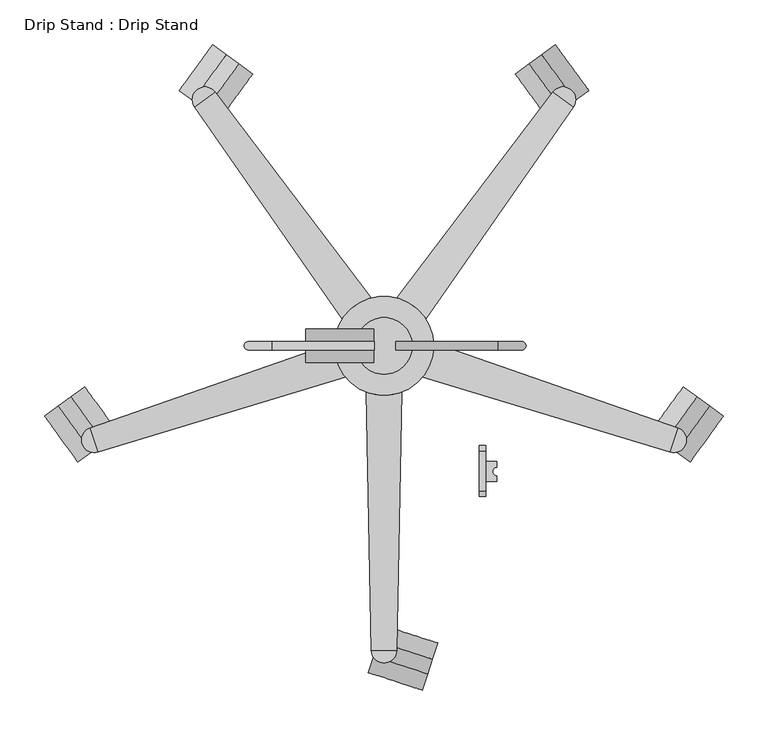
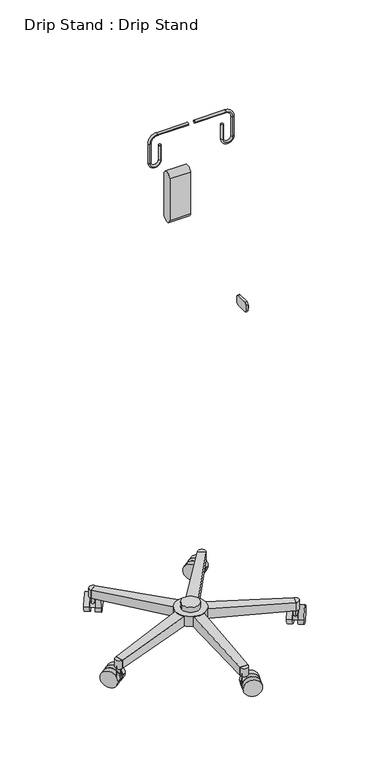
"""IFC4 building model written with IfcOpenShell, lengths in millimetres: proxy geometry, Drip Stand : Drip Stand."""

import ifcopenshell
import ifcopenshell.guid

model = None  # the IFC model being written
_history = None  # IfcOwnerHistory: only IFC2X3 demands one
_inside = {}  # id of a spatial element -> (the spatial element, [elements in it])
_under = {}  # id of a project, library or spatial element -> (it, [spatial elements below it])
_declared = {}  # id of a project -> (the project, [libraries it declares])
_typed = {}  # id of a type object -> (the type object, [elements of that type])
_made_of = {}  # id of a material, layer set ... -> (it, [elements and type objects made of it])


def new_model(schema):
    """Start an empty IFC model of exactly this schema.

    Asked for "IFC4X3", IfcOpenShell would pick the latest addendum, in which some entities
    have other attributes; the version numbers below select the first issue.
    IFC2X3 requires an IfcOwnerHistory on every rooted entity: one is made here for all.
    """
    global model, _history
    if schema == "IFC4X3":
        model = ifcopenshell.file(schema_version=(4, 3, 0, 0))
    else:
        model = ifcopenshell.file(schema=schema)
    _inside.clear()
    _under.clear()
    _declared.clear()
    _typed.clear()
    _made_of.clear()
    _history = None
    if model.schema == "IFC2X3":
        org = make("IfcOrganization", Name="unknown")
        user = make(
            "IfcPersonAndOrganization",
            ThePerson=make("IfcPerson", FamilyName="unknown"),
            TheOrganization=org,
        )
        app = make(
            "IfcApplication",
            ApplicationDeveloper=org,
            Version="unknown",
            ApplicationFullName="unknown",
            ApplicationIdentifier="unknown",
        )
        _history = make(
            "IfcOwnerHistory",
            OwningUser=user,
            OwningApplication=app,
            ChangeAction="ADDED",
            CreationDate=0,
        )
    return model


def make(cls, **values):
    """One entity of the class cls with the attributes given. An attribute that is None is left unset."""
    return model.create_entity(
        cls, **{name: value for name, value in values.items() if value is not None}
    )


def rooted(cls, **values):
    """An entity with a GlobalId (a new one), such as an element, a storey or a relation."""
    return make(cls, GlobalId=ifcopenshell.guid.new(), OwnerHistory=_history, **values)


def si_unit(unit_type, name, prefix=None):
    """IfcSIUnit, for example si_unit("LENGTHUNIT", "METRE", prefix="MILLI")."""
    return make("IfcSIUnit", UnitType=unit_type, Prefix=prefix, Name=name)


def assignment(units):
    """IfcUnitAssignment: the units of a project."""
    return None if units is None else make("IfcUnitAssignment", Units=units)


def point(xyz):
    """IfcCartesianPoint."""
    return None if xyz is None else make("IfcCartesianPoint", Coordinates=xyz)


def direction(xyz):
    """IfcDirection."""
    return None if xyz is None else make("IfcDirection", DirectionRatios=xyz)


def frame(location, z_axis=None, x_axis=None):
    """IfcAxis2Placement3D, a coordinate frame: its origin and axes. An axis left out is left unset."""
    return make(
        "IfcAxis2Placement3D",
        Location=point(location),
        Axis=direction(z_axis),
        RefDirection=direction(x_axis),
    )


def frame_2d(location, x_axis=None):
    """IfcAxis2Placement2D, a coordinate frame in the plane: its origin and x axis."""
    return make(
        "IfcAxis2Placement2D", Location=point(location), RefDirection=direction(x_axis)
    )


def origin():
    """The frame at (0, 0, 0) with its axes left unset."""
    return frame((0.0, 0.0, 0.0))


def place(relative_to, where):
    """IfcLocalPlacement: puts the frame where relative to a parent placement (None: the world)."""
    return make(
        "IfcLocalPlacement", PlacementRelTo=relative_to, RelativePlacement=where
    )


def context(
    kind, dimensions, precision=None, world=None, true_north=None, identifier=None
):
    """IfcGeometricRepresentationContext, for example the 3D "Model" context."""
    return make(
        "IfcGeometricRepresentationContext",
        ContextIdentifier=identifier,
        ContextType=kind,
        CoordinateSpaceDimension=dimensions,
        Precision=precision,
        WorldCoordinateSystem=world,
        TrueNorth=true_north,
    )


def project(units=None, contexts=None):
    """IfcProject with its units and contexts."""
    return rooted(
        "IfcProject",
        Name="project",
        RepresentationContexts=contexts,
        UnitsInContext=assignment(units),
    )


def spatial(cls, under=None, at=None, **own):
    """A site, building, storey or space (cls), placed at a placement, below another one or the project."""
    s = rooted(cls, ObjectPlacement=at, **own)
    if under is not None:
        _under.setdefault(under.id(), (under, []))[1].append(s)
    return s


def polyline(points):
    """IfcPolyline through the points."""
    return make("IfcPolyline", Points=[point(p) for p in points])


def circle_curve(where, radius):
    """IfcCircle in the frame where."""
    return make("IfcCircle", Position=where, Radius=radius)


def ellipse_curve(where, semi_axis1, semi_axis2):
    """IfcEllipse in the frame where."""
    return make(
        "IfcEllipse", Position=where, SemiAxis1=semi_axis1, SemiAxis2=semi_axis2
    )


def trimmed(basis, trim1, trim2, sense, master):
    """IfcTrimmedCurve: the piece of a basis curve between two trims."""
    return make(
        "IfcTrimmedCurve",
        BasisCurve=basis,
        Trim1=trim1,
        Trim2=trim2,
        SenseAgreement=sense,
        MasterRepresentation=master,
    )


def segment(curve, same_sense, transition):
    """IfcCompositeCurveSegment."""
    return make(
        "IfcCompositeCurveSegment",
        Transition=transition,
        SameSense=same_sense,
        ParentCurve=curve,
    )


def composite_curve(segments, self_intersect=None):
    """IfcCompositeCurve: segments joined end to end."""
    return make("IfcCompositeCurve", Segments=segments, SelfIntersect=self_intersect)


def outline(outer, holes=None, kind="AREA"):
    """IfcArbitraryClosedProfileDef: a profile drawn as a closed curve; with holes, ...WithVoids."""
    if holes is None:
        return make("IfcArbitraryClosedProfileDef", ProfileType=kind, OuterCurve=outer)
    return make(
        "IfcArbitraryProfileDefWithVoids",
        ProfileType=kind,
        OuterCurve=outer,
        InnerCurves=holes,
    )


def extrude(swept, where, along, depth):
    """IfcExtrudedAreaSolid: the profile swept, set in the frame where, extruded along a direction by depth."""
    return make(
        "IfcExtrudedAreaSolid",
        SweptArea=swept,
        Position=where,
        ExtrudedDirection=direction(along),
        Depth=depth,
    )


def shape(context_of_items, identifier, shape_type, items):
    """IfcShapeRepresentation: the items that make up one representation, for example the "Body"."""
    return make(
        "IfcShapeRepresentation",
        ContextOfItems=context_of_items,
        RepresentationIdentifier=identifier,
        RepresentationType=shape_type,
        Items=items,
    )


def source(mapping_origin, context_of_items, identifier, shape_type, items):
    """IfcRepresentationMap: a shape defined once, which mapped items show again and again."""
    return make(
        "IfcRepresentationMap",
        MappingOrigin=mapping_origin,
        MappedRepresentation=shape(context_of_items, identifier, shape_type, items),
    )


def transform(
    local_origin,
    x_axis=None,
    y_axis=None,
    z_axis=None,
    scale=None,
    scale2=None,
    scale3=None,
    uniform=True,
):
    """IfcCartesianTransformationOperator3D, or its non-uniform kind. x_axis, y_axis, z_axis: its Axis1, 2, 3."""
    if uniform:
        return make(
            "IfcCartesianTransformationOperator3D",
            Axis1=direction(x_axis),
            Axis2=direction(y_axis),
            LocalOrigin=point(local_origin),
            Scale=scale,
            Axis3=direction(z_axis),
        )
    return make(
        "IfcCartesianTransformationOperator3DnonUniform",
        Axis1=direction(x_axis),
        Axis2=direction(y_axis),
        LocalOrigin=point(local_origin),
        Scale=scale,
        Axis3=direction(z_axis),
        Scale2=scale2,
        Scale3=scale3,
    )


def mapped(mapping_source, mapping_target):
    """IfcMappedItem: shows the shape of a source again, moved by a transform."""
    return make(
        "IfcMappedItem", MappingSource=mapping_source, MappingTarget=mapping_target
    )


def made_of(thing, what):
    """Note that an element or type object is made of a material, layer set ...; save() writes the relation."""
    if what is not None:
        _made_of.setdefault(what.id(), (what, []))[1].append(thing)
    return thing


def element(
    cls,
    number,
    at=None,
    inside=None,
    cuts=None,
    type_object=None,
    material=None,
    context=None,
    identifier="Body",
    shape_type=None,
    held_by="IfcProductDefinitionShape",
    body=None,
    shapes=None,
    **own,
):
    """One element of the class cls, such as IfcWall. Its Tag is "e" and its number.

    at: its placement. inside: the storey or other place that contains it. cuts: it is an
    opening in that element (IfcRelVoidsElement). A single representation is given by context,
    identifier, shape_type and body (its items); several are given by shapes. held_by: the class
    of the entity that holds the representations. save() writes the other relations.
    """
    e = rooted(cls, Tag="e%d" % number, ObjectPlacement=at, **own)
    if body is not None:
        shapes = [shape(context, identifier, shape_type, body)]
    if shapes is not None:
        e.Representation = make(held_by, Representations=shapes)
    if inside is not None:
        _inside.setdefault(inside.id(), (inside, []))[1].append(e)
    if cuts is not None:
        rooted(
            "IfcRelVoidsElement", RelatingBuildingElement=cuts, RelatedOpeningElement=e
        )
    if type_object is not None:
        _typed.setdefault(type_object.id(), (type_object, []))[1].append(e)
    return made_of(e, material)


def aggregate(whole, parts):
    """IfcRelAggregates: a whole, such as a stair, and the parts it consists of."""
    return rooted("IfcRelAggregates", RelatingObject=whole, RelatedObjects=parts)


def save(model, path):
    """Write the relations noted so far, then the file.

    IfcRelAggregates (storeys below a building ...), IfcRelContainedInSpatialStructure (elements
    in a storey), IfcRelDefinesByType, IfcRelAssociatesMaterial and IfcRelDeclares: one each for
    every whole, place, type object, material and project.
    """
    for whole, parts in _under.values():
        aggregate(whole, parts)
    for where, things in _inside.values():
        rooted(
            "IfcRelContainedInSpatialStructure",
            RelatedElements=things,
            RelatingStructure=where,
        )
    for kind, things in _typed.values():
        rooted("IfcRelDefinesByType", RelatedObjects=things, RelatingType=kind)
    for what, things in _made_of.values():
        rooted("IfcRelAssociatesMaterial", RelatedObjects=things, RelatingMaterial=what)
    for by, libraries in _declared.values():
        rooted("IfcRelDeclares", RelatingContext=by, RelatedDefinitions=libraries)
    model.write(path)


def plane_surface(at):
    """IfcPlane: the flat surface through the origin of the frame at, square to its z axis."""
    return make("IfcPlane", Position=at)


def cylinder_surface(at, radius):
    """IfcCylindricalSurface: all points at the distance radius from the z axis of the frame at."""
    return make("IfcCylindricalSurface", Position=at, Radius=radius)


def revolved_surface(curve, axis_point, axis_direction):
    """IfcSurfaceOfRevolution: the curve turned about the line through axis_point along axis_direction."""
    return make(
        "IfcSurfaceOfRevolution",
        SweptCurve=make("IfcArbitraryOpenProfileDef", ProfileType="CURVE", Curve=curve),
        AxisPosition=make("IfcAxis1Placement", Location=point(axis_point), Axis=direction(axis_direction)),
    )


def advanced_brep(points, edges, surfaces, faces):
    """IfcAdvancedBrep: a solid bounded by faces that lie on surfaces and meet in shared edges.

    An edge is (start, end): straight between two places in points (the first is 0);
    or (start, end, curve); or (start, end, curve, False) where it runs against its curve.
    A face is (place in surfaces, loops), or (place, loops, False) where it looks against
    its surface's normal. A loop lists edges by number (the first is 1), with a minus sign
    where the edge is run from its end to its start. The first loop is the outer one.
    """
    corners = [point(p) for p in points]
    vertices = [make("IfcVertexPoint", VertexGeometry=c) for c in corners]
    made = []
    for start, end, *more in edges:
        made.append(
            make(
                "IfcEdgeCurve",
                EdgeStart=vertices[start],
                EdgeEnd=vertices[end],
                EdgeGeometry=more[0] if more else make("IfcPolyline", Points=[corners[start], corners[end]]),
                SameSense=more[1] if len(more) > 1 else True,
            )
        )
    hull = []
    for where, loops, *sense in faces:
        bounds = []
        for j, loop in enumerate(loops):
            ring = [make("IfcOrientedEdge", EdgeElement=made[abs(k) - 1], Orientation=k > 0) for k in loop]
            bounds.append(
                make(
                    "IfcFaceOuterBound" if j == 0 else "IfcFaceBound",
                    Bound=make("IfcEdgeLoop", EdgeList=ring),
                    Orientation=True,
                )
            )
        hull.append(make("IfcAdvancedFace", Bounds=bounds, FaceSurface=surfaces[where], SameSense=sense[0] if sense else True))
    return make("IfcAdvancedBrep", Outer=make("IfcClosedShell", CfsFaces=hull))


def drip_stand_drip_stand_73fd7475(model_context):
    return source(origin(), model_context, "Body", "SolidModel", [
        advanced_brep(
        [(-474.0020451, 593.993365, 101.4476248), (-474.0020451, 593.993365, 70.0180614), (-497.0226378, 577.2798671, 70.0180614), (-497.0226378, 577.2798671, 101.4476248), (-299.1138816, 362.9367661, 124.4891109), (-299.1138816, 362.9367661, 87.5609877), (-290.2191698, 351.1853597, 87.5609877), (-323.139441, 327.2844597, 87.5609877), (-331.5425367, 339.3657612, 87.5609877), (-331.5425367, 339.3657612, 124.4908505), (-340.4462626, 309.1781853, 125.6609877), (-229.1932787, 309.1781853, 125.6609877), (-253.0697707, 309.1781853, 125.6609877), (-316.5697707, 309.1781853, 125.6609877), (-270.5256597, 362.9367661, 87.5609877), (-279.4203715, 351.1853597, 87.5609877), (-246.5001003, 327.2844597, 87.5609877), (-238.0970046, 339.3657612, 87.5609877), (-229.2739182, 312.1723279, 87.5609877), (-243.1967287, 317.0062495, 87.5609877), (-255.7713971, 278.3167807, 87.5609877), (-241.6865127, 274.052288, 87.5609877), (-264.7942475, 257.2813161, 87.5609877), (-264.5030794, 272.0165349, 87.5609877), (-305.1847366, 272.0096171, 87.5609877), (-304.8842676, 257.2963719, 87.5609877), (-327.9530286, 274.052288, 87.5609877), (-313.8681443, 278.3167807, 87.5609877), (-326.4428126, 317.0062495, 87.5609877), (-340.3656231, 312.1723279, 87.5609877), (-340.4462626, 309.1781853, 124.4094085), (-327.9530286, 274.052288, 124.4908505), (-304.8842676, 257.2963719, 124.4908505), (-264.7942475, 257.2813161, 124.4891109), (-241.6865127, 274.052288, 124.4908505), (-229.1932787, 309.1781853, 124.4094085), (-229.2739182, 312.1723279, 124.4891109), (-238.0970046, 339.3657612, 124.4908505), (-270.5256597, 362.9367661, 124.4891109), (-340.3656231, 312.1723279, 124.4891109), (-316.5697707, 309.1781853, 144.8859419), (-253.0697707, 309.1781853, 144.8859419), (-95.6374962, 593.993365, 101.4476248), (-72.6169035, 577.2798671, 101.4476248), (-72.6169035, 577.2798671, 70.0180614), (-95.6374962, 593.993365, 70.0180614), (44.4769113, 217.1275755, 101.4476248), (35.6836569, 190.0726797, 101.4476248), (35.6836569, 190.0726797, 70.0180614), (44.4769113, 217.1275755, 70.0180614), (-270.5192069, -32.4431158, 101.4476248), (-298.9672065, -32.4479533, 101.4476248), (-298.9672065, -32.4479533, 70.0180614), (-270.5192069, -32.4431158, 70.0180614), (-614.1164526, 217.1275755, 101.4476248), (-614.1164526, 217.1275755, 70.0180614), (-605.3231983, 190.0726797, 70.0180614), (-605.3231983, 190.0726797, 101.4476248)],
        [
            (0, 1),
            (1, 2),
            (2, 3),
            (3, 0),
            (0, 4),
            (4, 5),
            (5, 6),
            (6, 1),
            (6, 7),
            (7, 2),
            (7, 8),
            (8, 9),
            (9, 3),
            (9, 4, ellipse_curve(frame((-284.8197707, 309.1781853, 128.6167003), z_axis=(0.04657719564780421, -0.0641538146823709, -0.9968524729905054), x_axis=(0.5856612691190575, -0.8066695300810246, 0.07927891959855232)), 55.8021307, 55.626492)),
            (10, 11, circle_curve(frame((-284.8197707, 309.1781853, 125.6609877), z_axis=(0.0, 0.0, 1.0), x_axis=(1.0, 0.0, 0.0)), 55.626492)),
            (11, 10, circle_curve(frame((-284.8197707, 309.1781853, 125.6609877), z_axis=(0.0, 0.0, 1.0), x_axis=(1.0, 0.0, 0.0)), 55.626492)),
            (12, 13, circle_curve(frame((-284.8197707, 309.1781853, 125.6609877), z_axis=(0.0, 0.0, -1.0), x_axis=(1.0, 0.0, 0.0)), 31.75)),
            (13, 12, circle_curve(frame((-284.8197707, 309.1781853, 125.6609877), z_axis=(0.0, 0.0, -1.0), x_axis=(1.0, 0.0, 0.0)), 31.75)),
            (5, 14, circle_curve(frame((-284.8197707, 309.1781853, 87.5609877), z_axis=(0.0, 0.0, -1.0), x_axis=(1.0, 0.0, 0.0)), 55.626492)),
            (14, 15),
            (15, 16),
            (16, 17),
            (17, 18, circle_curve(frame((-284.8197707, 309.1781853, 87.5609877), z_axis=(0.0, 0.0, -1.0), x_axis=(1.0, 0.0, 0.0)), 55.626492)),
            (18, 19),
            (19, 20),
            (20, 21),
            (21, 22, circle_curve(frame((-284.8197707, 309.1781853, 87.5609877), z_axis=(0.0, 0.0, -1.0), x_axis=(1.0, 0.0, 0.0)), 55.626492)),
            (22, 23),
            (23, 24),
            (24, 25),
            (25, 26, circle_curve(frame((-284.8197707, 309.1781853, 87.5609877), z_axis=(0.0, 0.0, -1.0), x_axis=(1.0, 0.0, 0.0)), 55.626492)),
            (26, 27),
            (27, 28),
            (28, 29),
            (29, 8, circle_curve(frame((-284.8197707, 309.1781853, 87.5609877), z_axis=(0.0, 0.0, -1.0), x_axis=(1.0, 0.0, 0.0)), 55.626492)),
            (10, 30),
            (30, 31, ellipse_curve(frame((-284.8197707, 309.1781853, 128.6167003), z_axis=(-0.07539661492408216, -0.024505051534397807, 0.9968524729905054), x_axis=(0.9480364064340253, 0.30812631335695084, 0.07927891959855232)), 55.8021307, 55.626492)),
            (31, 26),
            (25, 32),
            (32, 33, ellipse_curve(frame((-284.8197707, 309.1781853, 128.6167003), z_axis=(1.3481174649821742e-05, -0.0792789184523335, 0.9968524729905054), x_axis=(-0.0001695121774683849, 0.9968524585779523, 0.07927891959855236)), 55.8021307, 55.626492)),
            (33, 22),
            (21, 34),
            (34, 35, ellipse_curve(frame((-284.8197707, 309.1781853, 128.6167003), z_axis=(0.07539661492408216, -0.024505051534397807, 0.9968524729905054), x_axis=(-0.9480364064340253, 0.30812631335695084, 0.07927891959855232)), 55.8021307, 55.626492)),
            (35, 11),
            (35, 36, ellipse_curve(frame((-284.8197707, 309.1781853, 128.6167003), z_axis=(0.07539661492408216, -0.024505051534397807, 0.9968524729905054), x_axis=(-0.9480364064340253, 0.30812631335695084, 0.07927891959855232)), 55.8021307, 55.626492)),
            (36, 18),
            (17, 37),
            (37, 38, ellipse_curve(frame((-284.8197707, 309.1781853, 128.6167003), z_axis=(0.04657719564780419, 0.06415381468237087, 0.9968524729905054), x_axis=(-0.5856612691190576, -0.8066695300810247, 0.07927891959855236)), 55.8021307, 55.626492)),
            (38, 14),
            (29, 39),
            (39, 30, ellipse_curve(frame((-284.8197707, 309.1781853, 128.6167003), z_axis=(-0.07539661492408216, -0.024505051534397807, 0.9968524729905054), x_axis=(0.9480364064340253, 0.30812631335695084, 0.07927891959855232)), 55.8021307, 55.626492)),
            (40, 41, circle_curve(frame((-284.8197707, 309.1781853, 144.8859419), z_axis=(0.0, 0.0, 1.0), x_axis=(1.0, 0.0, 0.0)), 31.75)),
            (41, 40, circle_curve(frame((-284.8197707, 309.1781853, 144.8859419), z_axis=(0.0, 0.0, 1.0), x_axis=(1.0, 0.0, 0.0)), 31.75)),
            (40, 13),
            (12, 41),
            (42, 43),
            (43, 44),
            (44, 45),
            (45, 42),
            (42, 38),
            (37, 43),
            (16, 44),
            (15, 45),
            (46, 47),
            (47, 48),
            (48, 49),
            (49, 46),
            (46, 36),
            (34, 47),
            (20, 48),
            (19, 49),
            (50, 51),
            (51, 52),
            (52, 53),
            (53, 50),
            (50, 33),
            (32, 51),
            (24, 52),
            (23, 53),
            (54, 55),
            (55, 56),
            (56, 57),
            (57, 54),
            (54, 39),
            (28, 55),
            (27, 56),
            (31, 57),
        ],
        [
            plane_surface(frame((-485.5123414, 585.6366161, 85.7328431), z_axis=(-0.5875104742049787, 0.8092165610635025, 0.0), x_axis=(-0.8092165610635025, -0.5875104742049787, 0.0))),
            plane_surface(frame((-290.2191698, 351.1853597, 106.6109877), z_axis=(0.7973490590122829, 0.603518415702642, 0.0), x_axis=(0.0, 0.0, -1.0))),
            plane_surface(frame((-306.6793054, 339.2349097, 87.5609877), z_axis=(0.03379633637663892, -0.046549902171969165, -0.9983440861022302), x_axis=(-0.8092165610635011, -0.5875104742049805, 0.0))),
            plane_surface(frame((-323.139441, 327.2844597, 106.6109877), z_axis=(-0.8209462283979861, -0.571005507923629, 0.0), x_axis=(0.0, 0.0, 1.0))),
            plane_surface(frame((-306.6793054, 339.2349097, 125.6609877), z_axis=(-0.046577195647804215, 0.06415381468237091, 0.9968524729905056), x_axis=(0.8092165610635025, 0.5875104742049787, 0.0))),
            plane_surface(frame((-229.1932787, 309.1781853, 125.6609877), z_axis=(0.0, 0.0, 1.0), x_axis=(0.0, 1.0, 0.0))),
            plane_surface(frame((-229.1932787, 309.1781853, 87.5609877), z_axis=(0.0, 0.0, -1.0), x_axis=(0.0, -1.0, 0.0))),
            cylinder_surface(frame((-284.8197707, 309.1781853, 87.5609877), z_axis=(0.0, 0.0, 1.0), x_axis=(1.0, 0.0, 0.0)), 55.626492),
            plane_surface(frame((-253.0697707, 309.1781853, 144.8859419), z_axis=(0.0, 0.0, 1.0), x_axis=(0.0, 1.0, 0.0))),
            cylinder_surface(frame((-284.8197707, 309.1781853, 125.6609877), z_axis=(0.0, 0.0, 1.0), x_axis=(1.0, 0.0, 0.0)), 31.75),
            plane_surface(frame((-84.1271999, 585.6366161, 85.7328431), z_axis=(0.5875104742049967, 0.8092165610634893, 0.0), x_axis=(0.0, 0.0, -1.0))),
            plane_surface(frame((-262.9602359, 339.2349097, 125.6609877), z_axis=(0.046577195647804194, 0.06415381468237089, 0.9968524729905056), x_axis=(0.8092165610635025, -0.5875104742049787, 0.0))),
            plane_surface(frame((-246.5001003, 327.2844597, 106.6109877), z_axis=(0.8209462283979861, -0.571005507923629, 0.0), x_axis=(0.0, 0.0, -1.0))),
            plane_surface(frame((-262.9602359, 339.2349097, 87.5609877), z_axis=(-0.03379633637663892, -0.046549902171969165, -0.9983440861022302), x_axis=(-0.8092165610635011, 0.5875104742049805, 0.0))),
            plane_surface(frame((-279.4203715, 351.1853597, 106.6109877), z_axis=(-0.7973490590122829, 0.603518415702642, 0.0), x_axis=(0.0, 0.0, 1.0))),
            plane_surface(frame((40.0802841, 203.6001276, 85.7328431), z_axis=(0.9510297984113539, -0.3090992114736941, 0.0), x_axis=(0.0, 0.0, -1.0))),
            plane_surface(frame((-249.4840629, 297.6615151, 125.6609877), z_axis=(0.07539661492408216, -0.024505051534397807, 0.9968524729905054), x_axis=(-0.30909921147367775, -0.9510297984113593, 0.0))),
            plane_surface(frame((-255.7713971, 278.3167807, 106.6109877), z_axis=(-0.2897799708050379, -0.9570932914404068, 0.0), x_axis=(0.0, 0.0, -1.0))),
            plane_surface(frame((-249.4840629, 297.6615151, 87.5609877), z_axis=(-0.05470765949289847, 0.017780824995255504, -0.9983440861022302), x_axis=(0.30909921147367975, 0.9510297984113586, 0.0))),
            plane_surface(frame((-243.1967287, 317.0062495, 106.6109877), z_axis=(0.32798822550448137, 0.9446818109450512, 0.0), x_axis=(0.0, 0.0, 1.0))),
            plane_surface(frame((-284.7432067, -32.4455346, 85.7328431), z_axis=(0.00017004740629414765, -0.9999999855419398, 0.0), x_axis=(0.0, 0.0, -1.0))),
            plane_surface(frame((-284.843908, 272.013076, 125.6609877), z_axis=(1.3481174649821742e-05, -0.0792789184523335, 0.9968524729905054), x_axis=(-0.9999999855419397, -0.00017004740627252216, 0.0))),
            plane_surface(frame((-305.1847366, 272.0096171, 106.6109877), z_axis=(-0.9997915430241268, -0.02041740672651217, 0.0), x_axis=(0.0, 0.0, -1.0))),
            plane_surface(frame((-284.843908, 272.013076, 87.5609877), z_axis=(-9.781918101233285e-06, 0.05752465253277857, -0.9983440861022302), x_axis=(0.9999999855419397, 0.0001700474062704127, 0.0))),
            plane_surface(frame((-264.5030794, 272.0165349, 106.6109877), z_axis=(0.9998048280409032, -0.01975615919403379, 0.0), x_axis=(0.0, 0.0, 1.0))),
            plane_surface(frame((-609.7198254, 203.6001276, 85.7328431), z_axis=(-0.9510297984113593, -0.30909921147367775, 0.0), x_axis=(0.30909921147367775, -0.9510297984113593, 0.0))),
            plane_surface(frame((-326.4428126, 317.0062495, 106.6109877), z_axis=(-0.3279882255044814, 0.9446818109450512, 0.0), x_axis=(0.0, 0.0, -1.0))),
            plane_surface(frame((-320.1554784, 297.6615151, 87.5609877), z_axis=(0.05470765949289848, 0.017780824995255504, -0.9983440861022302), x_axis=(0.30909921147367975, -0.9510297984113586, 0.0))),
            plane_surface(frame((-313.8681443, 278.3167807, 106.6109877), z_axis=(0.289779970805038, -0.9570932914404068, 0.0), x_axis=(0.0, 0.0, 1.0))),
            plane_surface(frame((-320.1554784, 297.6615151, 125.6609877), z_axis=(-0.07539661492408216, -0.024505051534397807, 0.9968524729905054), x_axis=(-0.30909921147367775, 0.9510297984113593, 0.0))),
        ],
        [
            (0, [[1, 2, 3, 4]]),
            (1, [[-1, 5, 6, 7, 8]]),
            (2, [[-2, -8, 9, 10]]),
            (3, [[-3, -10, 11, 12, 13]]),
            (4, [[-4, -13, 14, -5]]),
            (5, [[15, 16], [17, 18]]),
            (6, [[-7, 19, 20, 21, 22, 23, 24, 25, 26, 27, 28, 29, 30, 31, 32, 33, 34, 35, -11, -9]]),
            (7, [[-15, 36, 37, 38, -31, 39, 40, 41, -27, 42, 43, 44]]),
            (7, [[-16, -44, 45, 46, -23, 47, 48, 49, -19, -6, -14, -12, -35, 50, 51, -36]]),
            (8, [[52, 53]]),
            (9, [[-52, 54, -17, 55]]),
            (9, [[-53, -55, -18, -54]]),
            (10, [[56, 57, 58, 59]]),
            (11, [[-56, 60, -48, 61]]),
            (12, [[-57, -61, -47, -22, 62]]),
            (13, [[-58, -62, -21, 63]]),
            (14, [[-59, -63, -20, -49, -60]]),
            (15, [[64, 65, 66, 67]]),
            (16, [[-64, 68, -45, -43, 69]]),
            (17, [[-65, -69, -42, -26, 70]]),
            (18, [[-66, -70, -25, 71]]),
            (19, [[-67, -71, -24, -46, -68]]),
            (20, [[72, 73, 74, 75]]),
            (21, [[-72, 76, -40, 77]]),
            (22, [[-73, -77, -39, -30, 78]]),
            (23, [[-74, -78, -29, 79]]),
            (24, [[-75, -79, -28, -41, -76]]),
            (25, [[80, 81, 82, 83]]),
            (26, [[-80, 84, -50, -34, 85]]),
            (27, [[-81, -85, -33, 86]]),
            (28, [[-82, -86, -32, -38, 87]]),
            (29, [[-83, -87, -37, -51, -84]]),
        ],
    ),
        extrude(outline(composite_curve([segment(trimmed(circle_curve(frame_2d((0.0, -31.75)), 31.75), [point((0.0, -63.5000001))], [point((0.0, 0.0))], False, "CARTESIAN"), True, "CONTINUOUS"), segment(polyline([(0.0, 0.0), (0.0, -1.27)]), True, "CONTINUOUS"), segment(trimmed(circle_curve(frame_2d((0.0, -31.75)), 30.48), [point((0.0, -1.27))], [point((0.0, -62.23))], True, "CARTESIAN"), True, "CONTINUOUS"), segment(polyline([(0.0, -62.23), (0.0, -63.5000001)]), True, "CONTINUOUS")], self_intersect=False)), frame((-121.9059892, 625.5848628, 31.75), z_axis=(0.8085345530055643, 0.5884487034534892, 0.0), x_axis=(0.0, 0.0, -1.0)), (0.0, 0.0, 1.0), 17.1449341),
        extrude(outline(composite_curve([segment(trimmed(circle_curve(frame_2d((-83.0190659, 587.0335567)), 7.62), [point((-76.8528357, 582.5567269))], [point((-89.1852961, 591.5103865))], False, "CARTESIAN"), True, "CONTINUOUS"), segment(trimmed(circle_curve(frame_2d((-83.0190659, 587.0335567)), 7.62), [point((-89.1852961, 591.5103865))], [point((-76.8528357, 582.5567269))], False, "CARTESIAN"), True, "CONTINUOUS")], self_intersect=False)), frame((0.0, 0.0, 34.7118921), z_axis=(0.0, 0.0, 1.0), x_axis=(1.0, 0.0, 0.0)), (0.0, 0.0, 1.0), 36.3693173),
        extrude(outline(composite_curve([segment(polyline([(-72.5517505, 577.2355368), (-95.5695008, 593.9529491)]), True, "CONTINUOUS"), segment(trimmed(circle_curve(frame_2d((-84.0606257, 585.5942429)), 14.224), [point((-95.5695008, 593.9529491))], [point((-72.5517505, 577.2355368))], False, "CARTESIAN"), True, "CONTINUOUS")], self_intersect=False)), frame((0.0, 0.0, 70.0177826), z_axis=(0.0, 0.0, 1.0), x_axis=(1.0, 0.0, 0.0)), (0.0, 0.0, 1.0), 31.4298422),
        extrude(outline(composite_curve([segment(trimmed(circle_curve(frame_2d((0.0, -31.7500001)), 31.75), [point((0.0, -63.5))], [point((0.0, 0.0))], False, "CARTESIAN"), True, "CONTINUOUS"), segment(trimmed(circle_curve(frame_2d((0.0, -31.7500001)), 31.75), [point((0.0, 0.0))], [point((0.0, -63.5))], False, "CARTESIAN"), True, "CONTINUOUS")], self_intersect=False)), frame((-137.4247714, 614.2903458, 31.75), z_axis=(0.8085345530055643, 0.5884487034534892, 0.0), x_axis=(0.0, 0.0, -1.0)), (0.0, 0.0, 1.0), 19.1937154),
        extrude(outline(composite_curve([segment(trimmed(circle_curve(frame_2d((0.0, -31.7500001)), 31.75), [point((0.0, -63.5))], [point((0.0, 0.0))], False, "CARTESIAN"), True, "CONTINUOUS"), segment(trimmed(circle_curve(frame_2d((0.0, -31.7500001)), 31.75), [point((0.0, 0.0))], [point((0.0, -63.5))], False, "CARTESIAN"), True, "CONTINUOUS")], self_intersect=False)), frame((-108.0437176, 635.673777, 31.75), z_axis=(0.8085345530055643, 0.5884487034534892, 0.0), x_axis=(0.0, 0.0, -1.0)), (0.0, 0.0, 1.0), 19.1937154),
        extrude(outline(composite_curve([segment(polyline([(-63.5000001, 0.0), (-62.23, 0.0)]), True, "CONTINUOUS"), segment(trimmed(circle_curve(frame_2d((-31.75, 0.0)), 30.48), [point((-62.23, 0.0))], [point((-1.27, 0.0))], True, "CARTESIAN"), True, "CONTINUOUS"), segment(polyline([(-1.27, 0.0), (0.0, 0.0)]), True, "CONTINUOUS"), segment(trimmed(circle_curve(frame_2d((-31.75, 0.0)), 31.75), [point((0.0, 0.0))], [point((-63.5000001, 0.0))], False, "CARTESIAN"), True, "CONTINUOUS")], self_intersect=False)), frame((-447.7335521, 625.5848628, 31.75), z_axis=(-0.8085345530055643, 0.5884487034534892, 0.0), x_axis=(0.5884487034534892, 0.8085345530055643, 0.0)), (0.0, 0.0, 1.0), 17.1449341),
        extrude(outline(composite_curve([segment(trimmed(circle_curve(frame_2d((-486.6204754, 587.0335567)), 7.62), [point((-492.7867056, 582.5567269))], [point((-480.4542452, 591.5103865))], False, "CARTESIAN"), True, "CONTINUOUS"), segment(trimmed(circle_curve(frame_2d((-486.6204754, 587.0335567)), 7.62), [point((-480.4542452, 591.5103865))], [point((-492.7867056, 582.5567269))], False, "CARTESIAN"), True, "CONTINUOUS")], self_intersect=False)), frame((0.0, 0.0, 34.7118921), z_axis=(0.0, 0.0, 1.0), x_axis=(1.0, 0.0, 0.0)), (0.0, 0.0, 1.0), 36.3693173),
        extrude(outline(composite_curve([segment(trimmed(circle_curve(frame_2d((-485.5789156, 585.5942429)), 14.224), [point((-497.0877908, 577.2355368))], [point((-474.0700405, 593.9529491))], False, "CARTESIAN"), True, "CONTINUOUS"), segment(polyline([(-474.0700405, 593.9529491), (-497.0877908, 577.2355368)]), True, "CONTINUOUS")], self_intersect=False)), frame((0.0, 0.0, 70.0177826), z_axis=(0.0, 0.0, 1.0), x_axis=(1.0, 0.0, 0.0)), (0.0, 0.0, 1.0), 31.4298422),
        extrude(outline(composite_curve([segment(trimmed(circle_curve(frame_2d((0.0, -31.75)), 31.75), [point((0.0, -63.4999999))], [point((0.0, 0.0))], False, "CARTESIAN"), True, "CONTINUOUS"), segment(trimmed(circle_curve(frame_2d((0.0, -31.75)), 31.75), [point((0.0, 0.0))], [point((0.0, -63.4999999))], False, "CARTESIAN"), True, "CONTINUOUS")], self_intersect=False)), frame((-432.21477, 614.2903458, 31.75), z_axis=(-0.8085345530055643, 0.5884487034534892, 0.0), x_axis=(0.0, 0.0, 1.0)), (0.0, 0.0, 1.0), 19.1937154),
        extrude(outline(composite_curve([segment(trimmed(circle_curve(frame_2d((0.0, -31.7500001)), 31.75), [point((0.0, -63.5))], [point((0.0, 0.0))], False, "CARTESIAN"), True, "CONTINUOUS"), segment(trimmed(circle_curve(frame_2d((0.0, -31.7500001)), 31.75), [point((0.0, 0.0))], [point((0.0, -63.5))], False, "CARTESIAN"), True, "CONTINUOUS")], self_intersect=False)), frame((-461.5958237, 635.673777, 31.75), z_axis=(-0.8085345530055643, 0.5884487034534892, 0.0), x_axis=(0.0, 0.0, 1.0)), (0.0, 0.0, 1.0), 19.1937154),
        extrude(outline(composite_curve([segment(trimmed(circle_curve(frame_2d((31.75, 0.0)), 31.75), [point((63.5, 0.0))], [point((0.0, 0.0))], False, "CARTESIAN"), True, "CONTINUOUS"), segment(polyline([(0.0, 0.0), (1.27, 0.0)]), True, "CONTINUOUS"), segment(trimmed(circle_curve(frame_2d((31.75, 0.0)), 30.48), [point((1.27, 0.0))], [point((62.23, 0.0))], True, "CARTESIAN"), True, "CONTINUOUS"), segment(polyline([(62.23, 0.0), (63.5, 0.0)]), True, "CONTINUOUS")], self_intersect=False)), frame((-649.9336581, 241.791291, 31.75), z_axis=(0.8092486736939575, 0.5874662408382041, 0.0), x_axis=(0.5874662408382041, -0.8092486736939575, 0.0)), (0.0, 0.0, 1.0), 17.1449341),
        extrude(outline(composite_curve([segment(trimmed(circle_curve(frame_2d((-611.3905619, 202.9771961)), 7.62), [point((-609.0352259, 195.730349))], [point((-613.7458979, 210.2240432))], False, "CARTESIAN"), True, "CONTINUOUS"), segment(trimmed(circle_curve(frame_2d((-611.3905619, 202.9771961)), 7.62), [point((-613.7458979, 210.2240432))], [point((-609.0352259, 195.730349))], False, "CARTESIAN"), True, "CONTINUOUS")], self_intersect=False)), frame((0.0, 0.0, 34.7118921), z_axis=(0.0, 0.0, 1.0), x_axis=(1.0, 0.0, 0.0)), (0.0, 0.0, 1.0), 36.3693173),
        extrude(outline(composite_curve([segment(trimmed(circle_curve(frame_2d((-609.7000662, 203.5237262)), 14.224), [point((-605.3011388, 189.9970261))], [point((-614.0989936, 217.0504262))], False, "CARTESIAN"), True, "CONTINUOUS"), segment(polyline([(-614.0989936, 217.0504262), (-605.3011388, 189.9970261)]), True, "CONTINUOUS")], self_intersect=False)), frame((0.0, 0.0, 70.0177826), z_axis=(0.0, 0.0, 1.0), x_axis=(1.0, 0.0, 0.0)), (0.0, 0.0, 1.0), 31.4298422),
        extrude(outline(composite_curve([segment(trimmed(circle_curve(frame_2d((0.0, -31.75)), 31.75), [point((0.0, -63.5))], [point((0.0, 0.0))], False, "CARTESIAN"), True, "CONTINUOUS"), segment(trimmed(circle_curve(frame_2d((0.0, -31.75)), 31.75), [point((0.0, 0.0))], [point((0.0, -63.5))], False, "CARTESIAN"), True, "CONTINUOUS")], self_intersect=False)), frame((-636.0591429, 251.863361, 31.75), z_axis=(0.8092486736939575, 0.5874662408382041, 0.0), x_axis=(0.0, 0.0, -1.0)), (0.0, 0.0, 1.0), 19.1937154),
        extrude(outline(composite_curve([segment(trimmed(circle_curve(frame_2d((0.0, -31.75)), 31.75), [point((0.0, -63.5))], [point((0.0, 0.0))], False, "CARTESIAN"), True, "CONTINUOUS"), segment(trimmed(circle_curve(frame_2d((0.0, -31.75)), 31.75), [point((0.0, 0.0))], [point((0.0, -63.5))], False, "CARTESIAN"), True, "CONTINUOUS")], self_intersect=False)), frame((-665.4661468, 230.5156311, 31.75), z_axis=(0.8092486736939575, 0.5874662408382041, 0.0), x_axis=(0.0, 0.0, -1.0)), (0.0, 0.0, 1.0), 19.1937154),
        extrude(outline(composite_curve([segment(polyline([(0.0, -63.5), (0.0, -62.23)]), True, "CONTINUOUS"), segment(trimmed(circle_curve(frame_2d((0.0, -31.75)), 30.48), [point((0.0, -62.23))], [point((0.0, -1.27))], True, "CARTESIAN"), True, "CONTINUOUS"), segment(polyline([(0.0, -1.27), (0.0, 0.0)]), True, "CONTINUOUS"), segment(trimmed(circle_curve(frame_2d((0.0, -31.75)), 31.75), [point((0.0, 0.0))], [point((0.0, -63.5))], False, "CARTESIAN"), True, "CONTINUOUS")], self_intersect=False)), frame((80.2941168, 241.791291, 31.75), z_axis=(-0.8092486736939575, 0.5874662408382041, 0.0), x_axis=(0.0, 0.0, 1.0)), (0.0, 0.0, 1.0), 17.1449341),
        extrude(outline(composite_curve([segment(trimmed(circle_curve(frame_2d((41.7510206, 202.9771961)), 7.62), [point((39.3956846, 195.730349))], [point((44.1063566, 210.2240432))], False, "CARTESIAN"), True, "CONTINUOUS"), segment(trimmed(circle_curve(frame_2d((41.7510206, 202.9771961)), 7.62), [point((44.1063566, 210.2240432))], [point((39.3956846, 195.730349))], False, "CARTESIAN"), True, "CONTINUOUS")], self_intersect=False)), frame((0.0, 0.0, 34.7118921), z_axis=(0.0, 0.0, 1.0), x_axis=(1.0, 0.0, 0.0)), (0.0, 0.0, 1.0), 36.3693173),
        extrude(outline(composite_curve([segment(polyline([(35.6615975, 189.9970261), (44.4594523, 217.0504262)]), True, "CONTINUOUS"), segment(trimmed(circle_curve(frame_2d((40.0605249, 203.5237262)), 14.224), [point((44.4594523, 217.0504262))], [point((35.6615975, 189.9970261))], False, "CARTESIAN"), True, "CONTINUOUS")], self_intersect=False)), frame((0.0, 0.0, 70.0177826), z_axis=(0.0, 0.0, 1.0), x_axis=(1.0, 0.0, 0.0)), (0.0, 0.0, 1.0), 31.4298422),
        extrude(outline(composite_curve([segment(trimmed(circle_curve(frame_2d((0.0, -31.75)), 31.75), [point((0.0, -63.5))], [point((0.0, 0.0))], False, "CARTESIAN"), True, "CONTINUOUS"), segment(trimmed(circle_curve(frame_2d((0.0, -31.75)), 31.75), [point((0.0, 0.0))], [point((0.0, -63.5))], False, "CARTESIAN"), True, "CONTINUOUS")], self_intersect=False)), frame((66.4196016, 251.863361, 31.75), z_axis=(-0.8092486736939575, 0.5874662408382041, 0.0), x_axis=(0.0, 0.0, 1.0)), (0.0, 0.0, 1.0), 19.1937154),
        extrude(outline(composite_curve([segment(trimmed(circle_curve(frame_2d((0.0, -31.75)), 31.75), [point((0.0, -63.5))], [point((0.0, 0.0))], False, "CARTESIAN"), True, "CONTINUOUS"), segment(trimmed(circle_curve(frame_2d((0.0, -31.75)), 31.75), [point((0.0, 0.0))], [point((0.0, -63.5))], False, "CARTESIAN"), True, "CONTINUOUS")], self_intersect=False)), frame((95.8266055, 230.5156311, 31.75), z_axis=(-0.8092486736939575, 0.5874662408382041, 0.0), x_axis=(0.0, 0.0, 1.0)), (0.0, 0.0, 1.0), 19.1937154),
        extrude(outline(composite_curve([segment(polyline([(0.0, -63.5), (0.0, -62.23)]), True, "CONTINUOUS"), segment(trimmed(circle_curve(frame_2d((0.0, -31.75)), 30.48), [point((0.0, -62.23))], [point((0.0, -1.27))], True, "CARTESIAN"), True, "CONTINUOUS"), segment(polyline([(0.0, -1.27), (0.0, 0.0)]), True, "CONTINUOUS"), segment(trimmed(circle_curve(frame_2d((0.0, -31.75)), 31.75), [point((0.0, 0.0))], [point((0.0, -63.5))], False, "CARTESIAN"), True, "CONTINUOUS")], self_intersect=False)), frame((-235.987713, -58.8769389, 31.75), z_axis=(0.3083980192763382, 0.9512574108549333, 0.0), x_axis=(0.0, 0.0, 1.0)), (0.0, 0.0, 1.0), 17.1449341),
        extrude(outline(composite_curve([segment(trimmed(circle_curve(frame_2d((-284.8189068, -34.2270153)), 7.62), [point((-292.4389067, -34.228311))], [point((-277.1989069, -34.2257195))], False, "CARTESIAN"), True, "CONTINUOUS"), segment(trimmed(circle_curve(frame_2d((-284.8189068, -34.2270153)), 7.62), [point((-277.1989069, -34.2257195))], [point((-292.4389067, -34.228311))], False, "CARTESIAN"), True, "CONTINUOUS")], self_intersect=False)), frame((0.0, 0.0, 34.7118921), z_axis=(0.0, 0.0, 1.0), x_axis=(1.0, 0.0, 0.0)), (0.0, 0.0, 1.0), 36.3693173),
        extrude(outline(composite_curve([segment(polyline([(-299.0459734, -32.450372), (-270.5979734, -32.450372)]), True, "CONTINUOUS"), segment(trimmed(circle_curve(frame_2d((-284.8219734, -32.450372)), 14.224), [point((-270.5979734, -32.450372))], [point((-299.0459734, -32.450372))], False, "CARTESIAN"), True, "CONTINUOUS")], self_intersect=False)), frame((0.0, 0.0, 70.0177826), z_axis=(0.0, 0.0, 1.0), x_axis=(1.0, 0.0, 0.0)), (0.0, 0.0, 1.0), 31.4298422),
        extrude(outline(composite_curve([segment(trimmed(circle_curve(frame_2d((0.0, -31.75)), 31.75), [point((0.0, -63.5))], [point((0.0, 0.0))], False, "CARTESIAN"), True, "CONTINUOUS"), segment(trimmed(circle_curve(frame_2d((0.0, -31.75)), 31.75), [point((0.0, 0.0))], [point((0.0, -63.5))], False, "CARTESIAN"), True, "CONTINUOUS")], self_intersect=False)), frame((-230.7002493, -42.5676932, 31.75), z_axis=(0.3083980192763382, 0.9512574108549333, 0.0), x_axis=(0.0, 0.0, 1.0)), (0.0, 0.0, 1.0), 19.1937154),
        extrude(outline(composite_curve([segment(trimmed(circle_curve(frame_2d((0.0, -31.75)), 31.75), [point((0.0, -63.5))], [point((0.0, 0.0))], False, "CARTESIAN"), True, "CONTINUOUS"), segment(trimmed(circle_curve(frame_2d((0.0, -31.75)), 31.75), [point((0.0, 0.0))], [point((0.0, -63.5))], False, "CARTESIAN"), True, "CONTINUOUS")], self_intersect=False)), frame((-241.9070168, -77.1351029, 31.75), z_axis=(0.3083980192763382, 0.9512574108549333, 0.0), x_axis=(0.0, 0.0, 1.0)), (0.0, 0.0, 1.0), 19.1937154),
        advanced_brep(
        [(-170.9747324, 190.6528809, 1376.1438007), (-170.9747324, 146.2028809, 1376.1438007), (-170.9747324, 139.8528809, 1367.0750608), (-170.9747324, 139.8528809, 1347.1125405), (-170.9747324, 146.2028809, 1338.0438007), (-170.9747324, 190.6528809, 1338.0438007), (-170.9747324, 197.0028809, 1347.1125405), (-170.9747324, 197.0028809, 1367.0750608), (-170.9747324, 151.3719753, 1362.4579302), (-170.9747324, 164.0719753, 1362.4579302), (-170.9747324, 172.3019338, 1362.4579302), (-170.9747324, 185.0019338, 1362.4579302), (-178.1597707, 190.6528809, 1376.1438007), (-178.1597707, 197.0028809, 1367.0750608), (-178.1597707, 197.0028809, 1347.1125405), (-178.1597707, 190.6528809, 1338.0438007), (-178.1597707, 146.2028809, 1338.0438007), (-178.1597707, 139.8528809, 1347.1125405), (-178.1597707, 139.8528809, 1367.0750608), (-178.1597707, 146.2028809, 1376.1438007), (-172.6614511, 151.3719753, 1362.4579302), (-172.6614511, 164.0719753, 1362.4579302), (-172.6614511, 172.3019338, 1362.4579302), (-172.6614511, 185.0019338, 1362.4579302)],
        [
            (0, 1),
            (1, 2, circle_curve(frame((-170.9747324, 149.5036322, 1367.0750608), z_axis=(1.0, 0.0, 0.0), x_axis=(0.0, -1.0, 0.0)), 9.6507514)),
            (2, 3),
            (3, 4, circle_curve(frame((-170.9747324, 149.5036322, 1347.1125405), z_axis=(1.0, 0.0, 0.0), x_axis=(0.0, -1.0, 0.0)), 9.6507514)),
            (4, 5),
            (5, 6, circle_curve(frame((-170.9747324, 187.3521295, 1347.1125405), z_axis=(1.0, 0.0, 0.0), x_axis=(0.0, 1.0, 0.0)), 9.6507514)),
            (6, 7),
            (7, 0, circle_curve(frame((-170.9747324, 187.3521295, 1367.0750608), z_axis=(1.0, 0.0, 0.0), x_axis=(0.0, 1.0, 0.0)), 9.6507514)),
            (8, 9, circle_curve(frame((-170.9747324, 157.7219753, 1362.4579302), z_axis=(-1.0, 0.0, 0.0), x_axis=(0.0, 1.0, 0.0)), 6.35)),
            (9, 8, circle_curve(frame((-170.9747324, 157.7219753, 1362.4579302), z_axis=(-1.0, 0.0, 0.0), x_axis=(0.0, 1.0, 0.0)), 6.35)),
            (10, 11, circle_curve(frame((-170.9747324, 178.6519338, 1362.4579302), z_axis=(-1.0, 0.0, 0.0), x_axis=(0.0, 1.0, 0.0)), 6.35)),
            (11, 10, circle_curve(frame((-170.9747324, 178.6519338, 1362.4579302), z_axis=(-1.0, 0.0, 0.0), x_axis=(0.0, 1.0, 0.0)), 6.35)),
            (12, 13, circle_curve(frame((-178.1597707, 187.3521295, 1367.0750608), z_axis=(-1.0, 0.0, 0.0), x_axis=(0.0, 1.0, 0.0)), 9.6507514)),
            (13, 14),
            (14, 15, circle_curve(frame((-178.1597707, 187.3521295, 1347.1125405), z_axis=(-1.0, 0.0, 0.0), x_axis=(0.0, 1.0, 0.0)), 9.6507514)),
            (15, 16),
            (16, 17, circle_curve(frame((-178.1597707, 149.5036322, 1347.1125405), z_axis=(-1.0, 0.0, 0.0), x_axis=(0.0, -1.0, 0.0)), 9.6507514)),
            (17, 18),
            (18, 19, circle_curve(frame((-178.1597707, 149.5036322, 1367.0750608), z_axis=(-1.0, 0.0, 0.0), x_axis=(0.0, -1.0, 0.0)), 9.6507514)),
            (19, 12),
            (0, 12),
            (19, 1),
            (18, 2),
            (17, 3),
            (16, 4),
            (15, 5),
            (14, 6),
            (13, 7),
            (20, 21, circle_curve(frame((-172.6614511, 157.7219753, 1362.4579302), z_axis=(1.0, 0.0, 0.0), x_axis=(0.0, 1.0, 0.0)), 6.35)),
            (21, 20, circle_curve(frame((-172.6614511, 157.7219753, 1362.4579302), z_axis=(1.0, 0.0, 0.0), x_axis=(0.0, 1.0, 0.0)), 6.35)),
            (22, 23, circle_curve(frame((-172.6614511, 178.6519338, 1362.4579302), z_axis=(1.0, 0.0, 0.0), x_axis=(0.0, 1.0, 0.0)), 6.35)),
            (23, 22, circle_curve(frame((-172.6614511, 178.6519338, 1362.4579302), z_axis=(1.0, 0.0, 0.0), x_axis=(0.0, 1.0, 0.0)), 6.35)),
            (21, 9),
            (8, 20),
            (23, 11),
            (10, 22),
        ],
        [
            plane_surface(frame((-170.9747324, 139.8528809, 1376.1438007), z_axis=(1.0, 0.0, 0.0), x_axis=(0.0, -1.0, 0.0))),
            plane_surface(frame((-178.1597707, 139.8528809, 1376.1438007), z_axis=(-1.0, 0.0, 0.0), x_axis=(0.0, 1.0, 0.0))),
            plane_surface(frame((-170.9747324, 190.6528809, 1376.1438007), z_axis=(0.0, 0.0, 1.0), x_axis=(-1.0, 0.0, 0.0))),
            cylinder_surface(frame((-178.1597707, 149.5036322, 1367.0750608), z_axis=(1.0, 0.0, 0.0), x_axis=(0.0, -1.0, 0.0)), 9.6507514),
            plane_surface(frame((-170.9747324, 139.8528809, 1367.0750608), z_axis=(0.0, -1.0, 0.0), x_axis=(-1.0, 0.0, 0.0))),
            cylinder_surface(frame((-178.1597707, 149.5036322, 1347.1125405), z_axis=(1.0, 0.0, 0.0), x_axis=(0.0, -1.0, 0.0)), 9.6507514),
            plane_surface(frame((-170.9747324, 146.2028809, 1338.0438007), z_axis=(0.0, 0.0, -1.0), x_axis=(-1.0, 0.0, 0.0))),
            cylinder_surface(frame((-178.1597707, 187.3521295, 1347.1125405), z_axis=(1.0, 0.0, 0.0), x_axis=(0.0, 1.0, 0.0)), 9.6507514),
            plane_surface(frame((-170.9747324, 197.0028809, 1347.1125405), z_axis=(0.0, 1.0, 0.0), x_axis=(-1.0, 0.0, 0.0))),
            cylinder_surface(frame((-178.1597707, 187.3521295, 1367.0750608), z_axis=(1.0, 0.0, 0.0), x_axis=(0.0, 1.0, 0.0)), 9.6507514),
            plane_surface(frame((-172.6614511, 164.0719753, 1362.4579302), z_axis=(1.0, 0.0, 0.0), x_axis=(0.0, 0.0, -1.0))),
            revolved_surface(polyline([(-172.6614511, 164.0719753, 1362.4579302), (-170.9747324, 164.0719753, 1362.4579302)]), (-170.9747324, 157.7219753, 1362.4579302), (-1.0, 0.0, 0.0)),
            revolved_surface(polyline([(-172.6614511, 185.0019338, 1362.4579302), (-170.9747324, 185.0019338, 1362.4579302)]), (-170.9747324, 178.6519338, 1362.4579302), (-1.0, 0.0, 0.0)),
        ],
        [
            (0, [[1, 2, 3, 4, 5, 6, 7, 8], [9, 10], [11, 12]]),
            (1, [[13, 14, 15, 16, 17, 18, 19, 20]]),
            (2, [[-1, 21, -20, 22]]),
            (3, [[-2, -22, -19, 23]]),
            (4, [[-3, -23, -18, 24]]),
            (5, [[-4, -24, -17, 25]]),
            (6, [[-5, -25, -16, 26]]),
            (7, [[-6, -26, -15, 27]]),
            (8, [[-7, -27, -14, 28]]),
            (9, [[-8, -28, -13, -21]]),
            (10, [[29, 30]]),
            (10, [[31, 32]]),
            (11, [[-30, 33, -9, 34]]),
            (11, [[-29, -34, -10, -33]]),
            (12, [[-32, 35, -11, 36]]),
            (12, [[-31, -36, -12, -35]]),
        ],
    ),
        extrude(outline(composite_curve([segment(polyline([(-170.9747324, 156.5697707), (-170.9747324, 179.5222913), (-158.2747324, 179.5222913), (-158.2747324, 172.653604)]), True, "CONTINUOUS"), segment(trimmed(circle_curve(frame_2d((-158.2747324, 167.8934845)), 4.7601194), [point((-158.2747324, 172.653604))], [point((-158.2747324, 163.1333651))], True, "CARTESIAN"), True, "CONTINUOUS"), segment(polyline([(-158.2747324, 163.1333651), (-158.2747324, 156.5697707), (-170.9747324, 156.5697707)]), True, "CONTINUOUS")], self_intersect=False)), frame((0.0, 0.0, 1338.0438007), z_axis=(0.0, 0.0, 1.0), x_axis=(1.0, 0.0, 0.0)), (0.0, 0.0, 1.0), 12.7),
        extrude(outline(composite_curve([segment(polyline([(328.0197707, 1834.8583088), (328.0197707, 1677.6782234)]), True, "CONTINUOUS"), segment(trimmed(circle_curve(frame_2d((308.8356876, 1677.8123064)), 19.1845516), [point((328.0197707, 1677.6782234))], [point((289.9197707, 1674.6130713))], False, "CARTESIAN"), True, "CONTINUOUS"), segment(polyline([(289.9197707, 1674.6130713), (289.9197707, 1837.9234608)]), True, "CONTINUOUS"), segment(trimmed(circle_curve(frame_2d((308.8356876, 1834.7242258)), 19.1845516), [point((289.9197707, 1837.9234608))], [point((328.0197707, 1834.8583088))], False, "CARTESIAN"), True, "CONTINUOUS")], self_intersect=False)), frame((-372.4697707, 0.0, 0.0), z_axis=(1.0, 0.0, 0.0), x_axis=(0.0, 1.0, 0.0)), (0.0, 0.0, 1.0), 76.2),
        advanced_brep(
        [(-295.6378703, 304.2441933, 2014.5744227), (-295.6378703, 313.695348, 2014.5744227), (-409.9378703, 304.2441933, 2014.5744227), (-409.9378703, 313.695348, 2014.5744227), (-436.8786387, 313.695348, 1987.6336543), (-436.8786387, 304.2441933, 1987.6336543), (-436.8786387, 304.2441933, 1911.4336543), (-436.8786387, 313.695348, 1911.4336543), (-398.7786387, 313.695348, 1911.4336543), (-398.7786387, 304.2441933, 1911.4336543), (-398.7786387, 304.2441933, 1968.5836543), (-398.7786387, 313.695348, 1968.5836543)],
        [
            (0, 1, circle_curve(frame((-295.6378703, 308.9697707, 2014.5744227), z_axis=(1.0, 0.0, 0.0), x_axis=(0.0, 1.0, 0.0)), 4.7255773)),
            (1, 0, circle_curve(frame((-295.6378703, 308.9697707, 2014.5744227), z_axis=(1.0, 0.0, 0.0), x_axis=(0.0, 1.0, 0.0)), 4.7255773)),
            (0, 2),
            (2, 3, circle_curve(frame((-409.9378703, 308.9697707, 2014.5744227), z_axis=(1.0, 0.0, 0.0), x_axis=(0.0, 1.0, 0.0)), 4.7255773)),
            (3, 1),
            (3, 2, circle_curve(frame((-409.9378703, 308.9697707, 2014.5744227), z_axis=(1.0, 0.0, 0.0), x_axis=(0.0, 1.0, 0.0)), 4.7255773)),
            (4, 3, circle_curve(frame((-409.9378703, 313.695348, 1987.6336543), z_axis=(0.0, 1.0, 0.0), x_axis=(0.0, 0.0, 1.0)), 26.9407684)),
            (2, 5, circle_curve(frame((-409.9378703, 304.2441933, 1987.6336543), z_axis=(0.0, -1.0, 0.0), x_axis=(0.0, 0.0, 1.0)), 26.9407684)),
            (5, 4, circle_curve(frame((-436.8786387, 308.9697707, 1987.6336543), z_axis=(0.0, 0.0, 1.0), x_axis=(0.0, 1.0, 0.0)), 4.7255773)),
            (4, 5, circle_curve(frame((-436.8786387, 308.9697707, 1987.6336543), z_axis=(0.0, 0.0, 1.0), x_axis=(0.0, 1.0, 0.0)), 4.7255773)),
            (5, 6),
            (6, 7, circle_curve(frame((-436.8786387, 308.9697707, 1911.4336543), z_axis=(0.0, 0.0, 1.0), x_axis=(0.0, 1.0, 0.0)), 4.7255773)),
            (7, 4),
            (7, 6, circle_curve(frame((-436.8786387, 308.9697707, 1911.4336543), z_axis=(0.0, 0.0, 1.0), x_axis=(0.0, 1.0, 0.0)), 4.7255773)),
            (8, 7, circle_curve(frame((-417.8286387, 313.695348, 1911.4336543), z_axis=(0.0, 1.0, 0.0), x_axis=(-1.0, 0.0, 0.0)), 19.05)),
            (6, 9, circle_curve(frame((-417.8286387, 304.2441933, 1911.4336543), z_axis=(0.0, -1.0, 0.0), x_axis=(-1.0, 0.0, 0.0)), 19.05)),
            (9, 8, circle_curve(frame((-398.7786387, 308.9697707, 1911.4336543), z_axis=(0.0, 0.0, -1.0), x_axis=(0.0, 1.0, 0.0)), 4.7255773)),
            (8, 9, circle_curve(frame((-398.7786387, 308.9697707, 1911.4336543), z_axis=(0.0, 0.0, -1.0), x_axis=(0.0, 1.0, 0.0)), 4.7255773)),
            (10, 11, circle_curve(frame((-398.7786387, 308.9697707, 1968.5836543), z_axis=(0.0, 0.0, 1.0), x_axis=(0.0, 1.0, 0.0)), 4.7255773)),
            (11, 10, circle_curve(frame((-398.7786387, 308.9697707, 1968.5836543), z_axis=(0.0, 0.0, 1.0), x_axis=(0.0, 1.0, 0.0)), 4.7255773)),
            (9, 10),
            (11, 8),
        ],
        [
            plane_surface(frame((-295.6378703, 308.9697707, 2014.5744227), z_axis=(1.0, 0.0, 0.0), x_axis=(0.0, 1.0, 0.0))),
            cylinder_surface(frame((-295.6378703, 308.9697707, 2014.5744227), z_axis=(1.0, 0.0, 0.0), x_axis=(0.0, 1.0, 0.0)), 4.7255773),
            revolved_surface(trimmed(ellipse_curve(frame((-409.9378703, 308.9697707, 2014.5744227), z_axis=(1.0, 0.0, 0.0), x_axis=(0.0, 1.0, 0.0)), 4.7255773, 4.7255773), [point((-409.9378703, 304.2441933, 2014.5744227))], [point((-409.9378703, 313.695348, 2014.5744227))], True, "CARTESIAN"), (-409.9378703, 308.9697707, 1987.6336543), (0.0, -1.0, 0.0)),
            revolved_surface(trimmed(ellipse_curve(frame((-409.9378703, 308.9697707, 2014.5744227), z_axis=(1.0, 0.0, 0.0), x_axis=(0.0, 1.0, 0.0)), 4.7255773, 4.7255773), [point((-409.9378703, 313.695348, 2014.5744227))], [point((-409.9378703, 304.2441933, 2014.5744227))], True, "CARTESIAN"), (-409.9378703, 308.9697707, 1987.6336543), (0.0, -1.0, 0.0)),
            cylinder_surface(frame((-436.8786387, 308.9697707, 1987.6336543), z_axis=(0.0, 0.0, 1.0), x_axis=(0.0, 1.0, 0.0)), 4.7255773),
            revolved_surface(trimmed(ellipse_curve(frame((-436.8786387, 308.9697707, 1911.4336543), z_axis=(0.0, 0.0, 1.0), x_axis=(0.0, 1.0, 0.0)), 4.7255773, 4.7255773), [point((-436.8786387, 304.2441933, 1911.4336543))], [point((-436.8786387, 313.695348, 1911.4336543))], True, "CARTESIAN"), (-417.8286387, 308.9697707, 1911.4336543), (0.0, -1.0, 0.0)),
            revolved_surface(trimmed(ellipse_curve(frame((-436.8786387, 308.9697707, 1911.4336543), z_axis=(0.0, 0.0, 1.0), x_axis=(0.0, 1.0, 0.0)), 4.7255773, 4.7255773), [point((-436.8786387, 313.695348, 1911.4336543))], [point((-436.8786387, 304.2441933, 1911.4336543))], True, "CARTESIAN"), (-417.8286387, 308.9697707, 1911.4336543), (0.0, -1.0, 0.0)),
            plane_surface(frame((-398.7786387, 308.9697707, 1968.5836543), z_axis=(0.0, 0.0, 1.0), x_axis=(0.0, 1.0, 0.0))),
            cylinder_surface(frame((-398.7786387, 308.9697707, 1911.4336543), z_axis=(0.0, 0.0, -1.0), x_axis=(0.0, 1.0, 0.0)), 4.7255773),
        ],
        [
            (0, [[1, 2]]),
            (1, [[-1, 3, 4, 5]]),
            (1, [[-2, -5, 6, -3]]),
            (2, [[7, -4, 8, 9]]),
            (3, [[-8, -6, -7, 10]]),
            (4, [[-9, 11, 12, 13]]),
            (4, [[-10, -13, 14, -11]]),
            (5, [[15, -12, 16, 17]]),
            (6, [[-16, -14, -15, 18]]),
            (7, [[19, 20]]),
            (8, [[-17, 21, -20, 22]]),
            (8, [[-18, -22, -19, -21]]),
        ],
    ),
        advanced_brep(
        [(-271.501671, 304.2441933, 2014.5744227), (-271.501671, 313.695348, 2014.5744227), (-157.201671, 304.2441933, 2014.5744227), (-157.201671, 313.695348, 2014.5744227), (-130.2609026, 313.695348, 1987.6336543), (-130.2609026, 304.2441933, 1987.6336543), (-130.2609026, 304.2441933, 1911.4336543), (-130.2609026, 313.695348, 1911.4336543), (-168.3609026, 313.695348, 1911.4336543), (-168.3609026, 304.2441933, 1911.4336543), (-168.3609026, 304.2441933, 1968.5836543), (-168.3609026, 313.695348, 1968.5836543)],
        [
            (0, 1, circle_curve(frame((-271.501671, 308.9697707, 2014.5744227), z_axis=(-1.0, 0.0, 0.0), x_axis=(0.0, 1.0, 0.0)), 4.7255773)),
            (1, 0, circle_curve(frame((-271.501671, 308.9697707, 2014.5744227), z_axis=(-1.0, 0.0, 0.0), x_axis=(0.0, 1.0, 0.0)), 4.7255773)),
            (0, 2),
            (2, 3, circle_curve(frame((-157.201671, 308.9697707, 2014.5744227), z_axis=(-1.0, 0.0, 0.0), x_axis=(0.0, 1.0, 0.0)), 4.7255773)),
            (3, 1),
            (3, 2, circle_curve(frame((-157.201671, 308.9697707, 2014.5744227), z_axis=(-1.0, 0.0, 0.0), x_axis=(0.0, 1.0, 0.0)), 4.7255773)),
            (4, 3, circle_curve(frame((-157.201671, 313.695348, 1987.6336543), z_axis=(0.0, -1.0, 0.0), x_axis=(0.0, 0.0, 1.0)), 26.9407684)),
            (2, 5, circle_curve(frame((-157.201671, 304.2441933, 1987.6336543), z_axis=(0.0, 1.0, 0.0), x_axis=(0.0, 0.0, 1.0)), 26.9407684)),
            (5, 4, circle_curve(frame((-130.2609026, 308.9697707, 1987.6336543), z_axis=(0.0, 0.0, 1.0), x_axis=(0.0, 1.0, 0.0)), 4.7255773)),
            (4, 5, circle_curve(frame((-130.2609026, 308.9697707, 1987.6336543), z_axis=(0.0, 0.0, 1.0), x_axis=(0.0, 1.0, 0.0)), 4.7255773)),
            (5, 6),
            (6, 7, circle_curve(frame((-130.2609026, 308.9697707, 1911.4336543), z_axis=(0.0, 0.0, 1.0), x_axis=(0.0, 1.0, 0.0)), 4.7255773)),
            (7, 4),
            (7, 6, circle_curve(frame((-130.2609026, 308.9697707, 1911.4336543), z_axis=(0.0, 0.0, 1.0), x_axis=(0.0, 1.0, 0.0)), 4.7255773)),
            (8, 7, circle_curve(frame((-149.3109026, 313.695348, 1911.4336543), z_axis=(0.0, -1.0, 0.0), x_axis=(1.0, 0.0, 0.0)), 19.05)),
            (6, 9, circle_curve(frame((-149.3109026, 304.2441933, 1911.4336543), z_axis=(0.0, 1.0, 0.0), x_axis=(1.0, 0.0, 0.0)), 19.05)),
            (9, 8, circle_curve(frame((-168.3609026, 308.9697707, 1911.4336543), z_axis=(0.0, 0.0, -1.0), x_axis=(0.0, 1.0, 0.0)), 4.7255773)),
            (8, 9, circle_curve(frame((-168.3609026, 308.9697707, 1911.4336543), z_axis=(0.0, 0.0, -1.0), x_axis=(0.0, 1.0, 0.0)), 4.7255773)),
            (10, 11, circle_curve(frame((-168.3609026, 308.9697707, 1968.5836543), z_axis=(0.0, 0.0, 1.0), x_axis=(0.0, 1.0, 0.0)), 4.7255773)),
            (11, 10, circle_curve(frame((-168.3609026, 308.9697707, 1968.5836543), z_axis=(0.0, 0.0, 1.0), x_axis=(0.0, 1.0, 0.0)), 4.7255773)),
            (9, 10),
            (11, 8),
        ],
        [
            plane_surface(frame((-271.501671, 308.9697707, 2014.5744227), z_axis=(-1.0, 0.0, 0.0), x_axis=(0.0, 1.0, 0.0))),
            cylinder_surface(frame((-271.501671, 308.9697707, 2014.5744227), z_axis=(-1.0, 0.0, 0.0), x_axis=(0.0, 1.0, 0.0)), 4.7255773),
            revolved_surface(trimmed(ellipse_curve(frame((-157.201671, 308.9697707, 2014.5744227), z_axis=(-1.0, 0.0, 0.0), x_axis=(0.0, 1.0, 0.0)), 4.7255773, 4.7255773), [point((-157.201671, 304.2441933, 2014.5744227))], [point((-157.201671, 313.695348, 2014.5744227))], True, "CARTESIAN"), (-157.201671, 308.9697707, 1987.6336543), (0.0, 1.0, 0.0)),
            revolved_surface(trimmed(ellipse_curve(frame((-157.201671, 308.9697707, 2014.5744227), z_axis=(-1.0, 0.0, 0.0), x_axis=(0.0, 1.0, 0.0)), 4.7255773, 4.7255773), [point((-157.201671, 313.695348, 2014.5744227))], [point((-157.201671, 304.2441933, 2014.5744227))], True, "CARTESIAN"), (-157.201671, 308.9697707, 1987.6336543), (0.0, 1.0, 0.0)),
            cylinder_surface(frame((-130.2609026, 308.9697707, 1987.6336543), z_axis=(0.0, 0.0, 1.0), x_axis=(0.0, 1.0, 0.0)), 4.7255773),
            revolved_surface(trimmed(ellipse_curve(frame((-130.2609026, 308.9697707, 1911.4336543), z_axis=(0.0, 0.0, 1.0), x_axis=(0.0, 1.0, 0.0)), 4.7255773, 4.7255773), [point((-130.2609026, 304.2441933, 1911.4336543))], [point((-130.2609026, 313.695348, 1911.4336543))], True, "CARTESIAN"), (-149.3109026, 308.9697707, 1911.4336543), (0.0, 1.0, 0.0)),
            revolved_surface(trimmed(ellipse_curve(frame((-130.2609026, 308.9697707, 1911.4336543), z_axis=(0.0, 0.0, 1.0), x_axis=(0.0, 1.0, 0.0)), 4.7255773, 4.7255773), [point((-130.2609026, 313.695348, 1911.4336543))], [point((-130.2609026, 304.2441933, 1911.4336543))], True, "CARTESIAN"), (-149.3109026, 308.9697707, 1911.4336543), (0.0, 1.0, 0.0)),
            plane_surface(frame((-168.3609026, 308.9697707, 1968.5836543), z_axis=(0.0, 0.0, 1.0), x_axis=(0.0, 1.0, 0.0))),
            cylinder_surface(frame((-168.3609026, 308.9697707, 1911.4336543), z_axis=(0.0, 0.0, -1.0), x_axis=(0.0, 1.0, 0.0)), 4.7255773),
        ],
        [
            (0, [[1, 2]]),
            (1, [[-1, 3, 4, 5]]),
            (1, [[-2, -5, 6, -3]]),
            (2, [[7, -4, 8, 9]]),
            (3, [[-8, -6, -7, 10]]),
            (4, [[-9, 11, 12, 13]]),
            (4, [[-10, -13, 14, -11]]),
            (5, [[15, -12, 16, 17]]),
            (6, [[-16, -14, -15, 18]]),
            (7, [[19, 20]]),
            (8, [[-17, 21, -20, 22]]),
            (8, [[-18, -22, -19, -21]]),
        ],
    ),
    ])


if __name__ == "__main__":
    model = new_model("IFC4")
    model_context = context("Model", 3, world=origin())
    ifc_project = project(units=[si_unit("LENGTHUNIT", "METRE", prefix="MILLI")], contexts=[model_context])
    site = spatial("IfcSite", under=ifc_project)
    building = spatial("IfcBuilding", under=site)
    placement = place(None, origin())
    drip_stand_drip_stand_shape = drip_stand_drip_stand_73fd7475(model_context)
    element("IfcBuildingElementProxy", 1, Name="Drip Stand : Drip Stand", ObjectType="Drip Stand : Drip Stand", at=placement, inside=building, context=model_context, shape_type="MappedRepresentation", body=[
        mapped(drip_stand_drip_stand_shape, transform((0.0, 0.0, 0.0), x_axis=(1.0, 0.0, 0.0), y_axis=(0.0, 1.0, 0.0), z_axis=(0.0, 0.0, 1.0))),
    ])
    save(model, "model.ifc")
